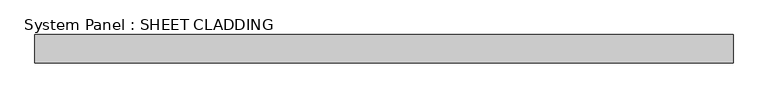
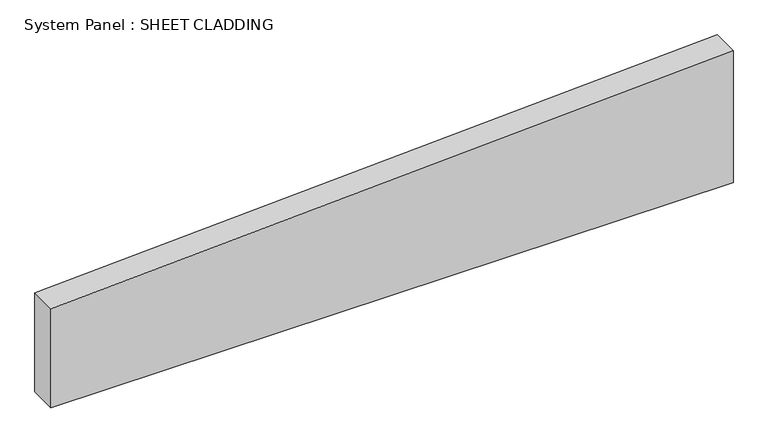
"""IFC4 building model written with IfcOpenShell, lengths in millimetres: plate geometry, System Panel : SHEET CLADDING."""

from ifc_helpers import new_model, si_unit, frame, origin, place, context, project, spatial, polyline, outline, extrude, source, transform, mapped, element, save


def system_panel_sheet_cladding_a5105d84(model_context):
    return source(origin(), model_context, "Body", "SweptSolid", [
        extrude(outline(polyline([(0.0, -735.4591837), (0.0, 735.4591837), (300.2020408, 735.4591837), (226.6561224, -735.4591837), (0.0, -735.4591837)])), frame((0.0, -10.5, 0.0), z_axis=(0.0, 1.0, 0.0), x_axis=(0.0, 0.0, 1.0)), (0.0, 0.0, 1.0), 60.0),
    ])


if __name__ == "__main__":
    model = new_model("IFC4")
    model_context = context("Model", 3, world=origin())
    ifc_project = project(units=[si_unit("LENGTHUNIT", "METRE", prefix="MILLI")], contexts=[model_context])
    site = spatial("IfcSite", under=ifc_project)
    building = spatial("IfcBuilding", under=site)
    placement = place(None, origin())
    system_panel_sheet_cladding_shape = system_panel_sheet_cladding_a5105d84(model_context)
    element("IfcPlate", 1, ObjectType="System Panel : SHEET CLADDING", at=placement, inside=building, context=model_context, shape_type="MappedRepresentation", body=[
        mapped(system_panel_sheet_cladding_shape, transform((0.0, 0.0, 0.0), x_axis=(1.0, 0.0, 0.0), y_axis=(0.0, 1.0, 0.0), z_axis=(0.0, 0.0, 1.0))),
    ])
    save(model, "model.ifc")
